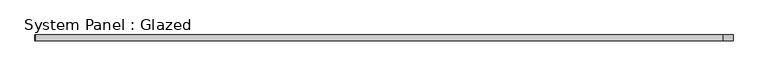
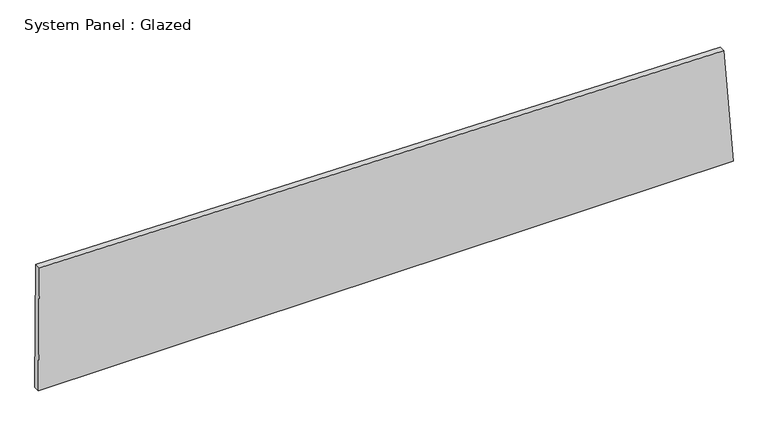
"""IFC4 building model written with IfcOpenShell, lengths in millimetres: plate geometry, System Panel : Glazed."""

from ifc_helpers import new_model, si_unit, frame, origin, place, context, project, spatial, polyline, outline, extrude, source, transform, mapped, element, save


def system_panel_glazed_48c393be(model_context):
    return source(origin(), model_context, "Body", "SweptSolid", [
        extrude(outline(polyline([(0.0, -1439.5718454), (0.0, 1439.5718454), (498.3373396, 1399.8421098), (538.753476, -1435.2218994), (0.0, -1439.5718454)])), frame((0.0, -49.5, 0.0), z_axis=(0.0, 1.0, 0.0), x_axis=(0.0, 0.0, 1.0)), (0.0, 0.0, 1.0), 25.0),
    ])


if __name__ == "__main__":
    model = new_model("IFC4")
    model_context = context("Model", 3, world=origin())
    ifc_project = project(units=[si_unit("LENGTHUNIT", "METRE", prefix="MILLI")], contexts=[model_context])
    site = spatial("IfcSite", under=ifc_project)
    building = spatial("IfcBuilding", under=site)
    placement = place(None, origin())
    system_panel_glazed_shape = system_panel_glazed_48c393be(model_context)
    element("IfcPlate", 1, ObjectType="System Panel : Glazed", at=placement, inside=building, context=model_context, shape_type="MappedRepresentation", body=[
        mapped(system_panel_glazed_shape, transform((0.0, 0.0, 0.0), x_axis=(1.0, 0.0, 0.0), y_axis=(0.0, 1.0, 0.0), z_axis=(0.0, 0.0, 1.0))),
    ])
    save(model, "model.ifc")
